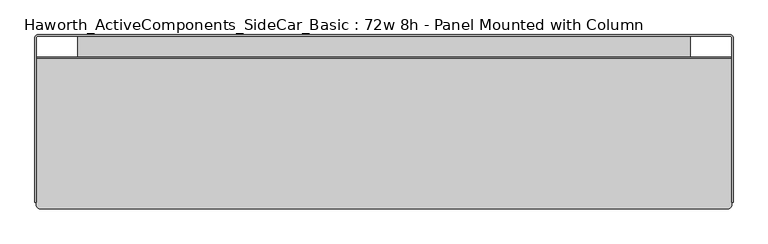
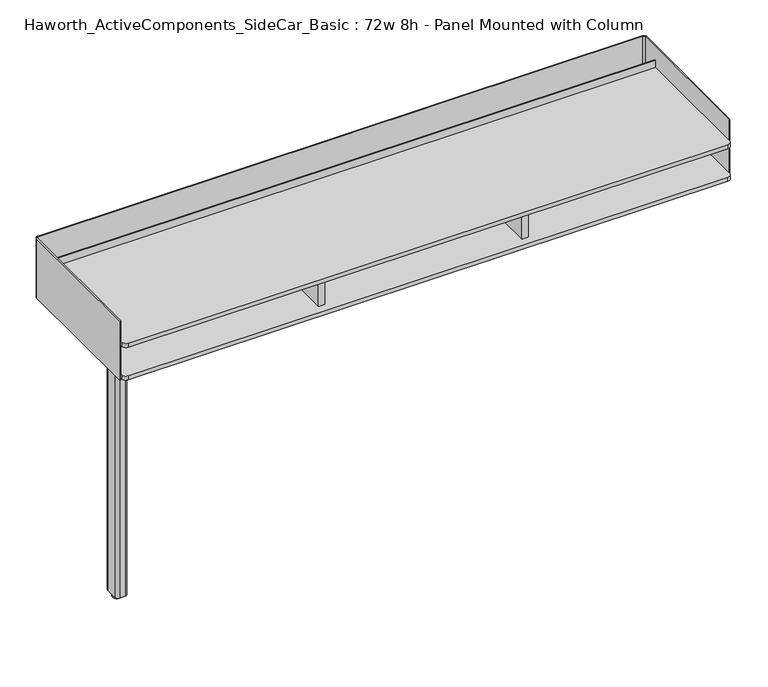
"""IFC4 building model written with IfcOpenShell, lengths in millimetres: furniture geometry, Haworth_ActiveComponents_SideCar_Basic : 72w 8h - Panel Mounted with Column."""

import ifcopenshell
import ifcopenshell.guid

model = None  # the IFC model being written
_history = None  # IfcOwnerHistory: only IFC2X3 demands one
_inside = {}  # id of a spatial element -> (the spatial element, [elements in it])
_under = {}  # id of a project, library or spatial element -> (it, [spatial elements below it])
_declared = {}  # id of a project -> (the project, [libraries it declares])
_typed = {}  # id of a type object -> (the type object, [elements of that type])
_made_of = {}  # id of a material, layer set ... -> (it, [elements and type objects made of it])


def new_model(schema):
    """Start an empty IFC model of exactly this schema.

    Asked for "IFC4X3", IfcOpenShell would pick the latest addendum, in which some entities
    have other attributes; the version numbers below select the first issue.
    IFC2X3 requires an IfcOwnerHistory on every rooted entity: one is made here for all.
    """
    global model, _history
    if schema == "IFC4X3":
        model = ifcopenshell.file(schema_version=(4, 3, 0, 0))
    else:
        model = ifcopenshell.file(schema=schema)
    _inside.clear()
    _under.clear()
    _declared.clear()
    _typed.clear()
    _made_of.clear()
    _history = None
    if model.schema == "IFC2X3":
        org = make("IfcOrganization", Name="unknown")
        user = make(
            "IfcPersonAndOrganization",
            ThePerson=make("IfcPerson", FamilyName="unknown"),
            TheOrganization=org,
        )
        app = make(
            "IfcApplication",
            ApplicationDeveloper=org,
            Version="unknown",
            ApplicationFullName="unknown",
            ApplicationIdentifier="unknown",
        )
        _history = make(
            "IfcOwnerHistory",
            OwningUser=user,
            OwningApplication=app,
            ChangeAction="ADDED",
            CreationDate=0,
        )
    return model


def make(cls, **values):
    """One entity of the class cls with the attributes given. An attribute that is None is left unset."""
    return model.create_entity(
        cls, **{name: value for name, value in values.items() if value is not None}
    )


def rooted(cls, **values):
    """An entity with a GlobalId (a new one), such as an element, a storey or a relation."""
    return make(cls, GlobalId=ifcopenshell.guid.new(), OwnerHistory=_history, **values)


def si_unit(unit_type, name, prefix=None):
    """IfcSIUnit, for example si_unit("LENGTHUNIT", "METRE", prefix="MILLI")."""
    return make("IfcSIUnit", UnitType=unit_type, Prefix=prefix, Name=name)


def assignment(units):
    """IfcUnitAssignment: the units of a project."""
    return None if units is None else make("IfcUnitAssignment", Units=units)


def point(xyz):
    """IfcCartesianPoint."""
    return None if xyz is None else make("IfcCartesianPoint", Coordinates=xyz)


def direction(xyz):
    """IfcDirection."""
    return None if xyz is None else make("IfcDirection", DirectionRatios=xyz)


def frame(location, z_axis=None, x_axis=None):
    """IfcAxis2Placement3D, a coordinate frame: its origin and axes. An axis left out is left unset."""
    return make(
        "IfcAxis2Placement3D",
        Location=point(location),
        Axis=direction(z_axis),
        RefDirection=direction(x_axis),
    )


def frame_2d(location, x_axis=None):
    """IfcAxis2Placement2D, a coordinate frame in the plane: its origin and x axis."""
    return make(
        "IfcAxis2Placement2D", Location=point(location), RefDirection=direction(x_axis)
    )


def origin():
    """The frame at (0, 0, 0) with its axes left unset."""
    return frame((0.0, 0.0, 0.0))


def origin_with_axes():
    """The frame at (0, 0, 0) with the z axis (0, 0, 1) and the x axis (1, 0, 0) written out."""
    return frame((0.0, 0.0, 0.0), z_axis=(0.0, 0.0, 1.0), x_axis=(1.0, 0.0, 0.0))


def place(relative_to, where):
    """IfcLocalPlacement: puts the frame where relative to a parent placement (None: the world)."""
    return make(
        "IfcLocalPlacement", PlacementRelTo=relative_to, RelativePlacement=where
    )


def context(
    kind, dimensions, precision=None, world=None, true_north=None, identifier=None
):
    """IfcGeometricRepresentationContext, for example the 3D "Model" context."""
    return make(
        "IfcGeometricRepresentationContext",
        ContextIdentifier=identifier,
        ContextType=kind,
        CoordinateSpaceDimension=dimensions,
        Precision=precision,
        WorldCoordinateSystem=world,
        TrueNorth=true_north,
    )


def project(units=None, contexts=None):
    """IfcProject with its units and contexts."""
    return rooted(
        "IfcProject",
        Name="project",
        RepresentationContexts=contexts,
        UnitsInContext=assignment(units),
    )


def spatial(cls, under=None, at=None, **own):
    """A site, building, storey or space (cls), placed at a placement, below another one or the project."""
    s = rooted(cls, ObjectPlacement=at, **own)
    if under is not None:
        _under.setdefault(under.id(), (under, []))[1].append(s)
    return s


def polyline(points):
    """IfcPolyline through the points."""
    return make("IfcPolyline", Points=[point(p) for p in points])


def circle_curve(where, radius):
    """IfcCircle in the frame where."""
    return make("IfcCircle", Position=where, Radius=radius)


def trimmed(basis, trim1, trim2, sense, master):
    """IfcTrimmedCurve: the piece of a basis curve between two trims."""
    return make(
        "IfcTrimmedCurve",
        BasisCurve=basis,
        Trim1=trim1,
        Trim2=trim2,
        SenseAgreement=sense,
        MasterRepresentation=master,
    )


def segment(curve, same_sense, transition):
    """IfcCompositeCurveSegment."""
    return make(
        "IfcCompositeCurveSegment",
        Transition=transition,
        SameSense=same_sense,
        ParentCurve=curve,
    )


def composite_curve(segments, self_intersect=None):
    """IfcCompositeCurve: segments joined end to end."""
    return make("IfcCompositeCurve", Segments=segments, SelfIntersect=self_intersect)


def outline(outer, holes=None, kind="AREA"):
    """IfcArbitraryClosedProfileDef: a profile drawn as a closed curve; with holes, ...WithVoids."""
    if holes is None:
        return make("IfcArbitraryClosedProfileDef", ProfileType=kind, OuterCurve=outer)
    return make(
        "IfcArbitraryProfileDefWithVoids",
        ProfileType=kind,
        OuterCurve=outer,
        InnerCurves=holes,
    )


def extrude(swept, where, along, depth):
    """IfcExtrudedAreaSolid: the profile swept, set in the frame where, extruded along a direction by depth."""
    return make(
        "IfcExtrudedAreaSolid",
        SweptArea=swept,
        Position=where,
        ExtrudedDirection=direction(along),
        Depth=depth,
    )


def shape(context_of_items, identifier, shape_type, items):
    """IfcShapeRepresentation: the items that make up one representation, for example the "Body"."""
    return make(
        "IfcShapeRepresentation",
        ContextOfItems=context_of_items,
        RepresentationIdentifier=identifier,
        RepresentationType=shape_type,
        Items=items,
    )


def source(mapping_origin, context_of_items, identifier, shape_type, items):
    """IfcRepresentationMap: a shape defined once, which mapped items show again and again."""
    return make(
        "IfcRepresentationMap",
        MappingOrigin=mapping_origin,
        MappedRepresentation=shape(context_of_items, identifier, shape_type, items),
    )


def transform(
    local_origin,
    x_axis=None,
    y_axis=None,
    z_axis=None,
    scale=None,
    scale2=None,
    scale3=None,
    uniform=True,
):
    """IfcCartesianTransformationOperator3D, or its non-uniform kind. x_axis, y_axis, z_axis: its Axis1, 2, 3."""
    if uniform:
        return make(
            "IfcCartesianTransformationOperator3D",
            Axis1=direction(x_axis),
            Axis2=direction(y_axis),
            LocalOrigin=point(local_origin),
            Scale=scale,
            Axis3=direction(z_axis),
        )
    return make(
        "IfcCartesianTransformationOperator3DnonUniform",
        Axis1=direction(x_axis),
        Axis2=direction(y_axis),
        LocalOrigin=point(local_origin),
        Scale=scale,
        Axis3=direction(z_axis),
        Scale2=scale2,
        Scale3=scale3,
    )


def mapped(mapping_source, mapping_target):
    """IfcMappedItem: shows the shape of a source again, moved by a transform."""
    return make(
        "IfcMappedItem", MappingSource=mapping_source, MappingTarget=mapping_target
    )


def made_of(thing, what):
    """Note that an element or type object is made of a material, layer set ...; save() writes the relation."""
    if what is not None:
        _made_of.setdefault(what.id(), (what, []))[1].append(thing)
    return thing


def element(
    cls,
    number,
    at=None,
    inside=None,
    cuts=None,
    type_object=None,
    material=None,
    context=None,
    identifier="Body",
    shape_type=None,
    held_by="IfcProductDefinitionShape",
    body=None,
    shapes=None,
    **own,
):
    """One element of the class cls, such as IfcWall. Its Tag is "e" and its number.

    at: its placement. inside: the storey or other place that contains it. cuts: it is an
    opening in that element (IfcRelVoidsElement). A single representation is given by context,
    identifier, shape_type and body (its items); several are given by shapes. held_by: the class
    of the entity that holds the representations. save() writes the other relations.
    """
    e = rooted(cls, Tag="e%d" % number, ObjectPlacement=at, **own)
    if body is not None:
        shapes = [shape(context, identifier, shape_type, body)]
    if shapes is not None:
        e.Representation = make(held_by, Representations=shapes)
    if inside is not None:
        _inside.setdefault(inside.id(), (inside, []))[1].append(e)
    if cuts is not None:
        rooted(
            "IfcRelVoidsElement", RelatingBuildingElement=cuts, RelatedOpeningElement=e
        )
    if type_object is not None:
        _typed.setdefault(type_object.id(), (type_object, []))[1].append(e)
    return made_of(e, material)


def aggregate(whole, parts):
    """IfcRelAggregates: a whole, such as a stair, and the parts it consists of."""
    return rooted("IfcRelAggregates", RelatingObject=whole, RelatedObjects=parts)


def save(model, path):
    """Write the relations noted so far, then the file.

    IfcRelAggregates (storeys below a building ...), IfcRelContainedInSpatialStructure (elements
    in a storey), IfcRelDefinesByType, IfcRelAssociatesMaterial and IfcRelDeclares: one each for
    every whole, place, type object, material and project.
    """
    for whole, parts in _under.values():
        aggregate(whole, parts)
    for where, things in _inside.values():
        rooted(
            "IfcRelContainedInSpatialStructure",
            RelatedElements=things,
            RelatingStructure=where,
        )
    for kind, things in _typed.values():
        rooted("IfcRelDefinesByType", RelatedObjects=things, RelatingType=kind)
    for what, things in _made_of.values():
        rooted("IfcRelAssociatesMaterial", RelatedObjects=things, RelatingMaterial=what)
    for by, libraries in _declared.values():
        rooted("IfcRelDeclares", RelatingContext=by, RelatedDefinitions=libraries)
    model.write(path)


def haworth_activecomponents_sidecar_basic_72w_8h_panel_mounted_e1236254(model_context):
    return source(origin(), model_context, "Body", "SweptSolid", [
        extrude(outline(composite_curve([segment(trimmed(circle_curve(frame_2d((-800.1, -260.35)), 13.6023831), [point((-813.7023831, -260.35))], [point((-786.4976169, -260.35))], False, "CARTESIAN"), True, "CONTINUOUS"), segment(trimmed(circle_curve(frame_2d((-800.1, -260.35)), 13.6023831), [point((-786.4976169, -260.35))], [point((-813.7023831, -260.35))], False, "CARTESIAN"), True, "CONTINUOUS")], self_intersect=False)), origin_with_axes(), (0.0, 0.0, 1.0), 12.7),
        extrude(outline(composite_curve([segment(trimmed(circle_curve(frame_2d((-792.1625, -242.09375)), 9.525), [point((-792.1625, -232.56875))], [point((-782.6375, -242.09375))], False, "CARTESIAN"), True, "CONTINUOUS"), segment(polyline([(-782.6375, -242.09375), (-782.6375, -278.60625)]), True, "CONTINUOUS"), segment(trimmed(circle_curve(frame_2d((-792.1625, -278.60625)), 9.525), [point((-782.6375, -278.60625))], [point((-792.1625, -288.13125))], False, "CARTESIAN"), True, "CONTINUOUS"), segment(polyline([(-792.1625, -288.13125), (-808.0375, -288.13125)]), True, "CONTINUOUS"), segment(trimmed(circle_curve(frame_2d((-808.0375, -278.60625)), 9.525), [point((-808.0375, -288.13125))], [point((-817.5625, -278.60625))], False, "CARTESIAN"), True, "CONTINUOUS"), segment(polyline([(-817.5625, -278.60625), (-817.5625, -242.09375)]), True, "CONTINUOUS"), segment(trimmed(circle_curve(frame_2d((-808.0375, -242.09375)), 9.525), [point((-817.5625, -242.09375))], [point((-808.0375, -232.56875))], False, "CARTESIAN"), True, "CONTINUOUS"), segment(polyline([(-808.0375, -232.56875), (-792.1625, -232.56875)]), True, "CONTINUOUS")], self_intersect=False)), frame((0.0, 0.0, 12.7), z_axis=(0.0, 0.0, 1.0), x_axis=(1.0, 0.0, 0.0)), (0.0, 0.0, 1.0), 838.2),
        extrude(outline(composite_curve([segment(polyline([(865.1875, -457.2000121), (-865.1875, -457.2000121)]), True, "CONTINUOUS"), segment(trimmed(circle_curve(frame_2d((-865.1875, -444.5000121)), 12.7), [point((-865.1875, -457.2000121))], [point((-877.8875, -444.5000121))], False, "CARTESIAN"), True, "CONTINUOUS"), segment(polyline([(-877.8875, -444.5000121), (-877.8875, -166.1160172), (-808.83125, -166.1160172)]), True, "CONTINUOUS"), segment(trimmed(circle_curve(frame_2d((-808.83125, -158.9722672)), 7.14375), [point((-808.83125, -166.1160172))], [point((-801.6875, -158.9722672))], True, "CARTESIAN"), True, "CONTINUOUS"), segment(polyline([(-801.6875, -158.9722672), (-801.6875, -35.1790143), (801.6875, -35.1790143), (801.6875, -158.9722672)]), True, "CONTINUOUS"), segment(trimmed(circle_curve(frame_2d((808.83125, -158.9722672)), 7.14375), [point((801.6875, -158.9722672))], [point((808.83125, -166.1160172))], True, "CARTESIAN"), True, "CONTINUOUS"), segment(polyline([(808.83125, -166.1160172), (877.8875, -166.1160172), (877.8875, -444.5000121)]), True, "CONTINUOUS"), segment(trimmed(circle_curve(frame_2d((865.1875, -444.5000121)), 12.7), [point((877.8875, -444.5000121))], [point((865.1875, -457.2000121))], False, "CARTESIAN"), True, "CONTINUOUS")], self_intersect=False)), frame((0.0, 0.0, 850.9), z_axis=(0.0, 0.0, 1.0), x_axis=(1.0, 0.0, 0.0)), (0.0, 0.0, 1.0), 6.3500242),
        extrude(outline(composite_curve([segment(trimmed(circle_curve(frame_2d((-318.1985042, 838.009532)), 1.5875), [point((-319.7860042, 838.009532))], [point((-318.1985042, 836.422032))], True, "CARTESIAN"), True, "CONTINUOUS"), segment(polyline([(-318.1985042, 836.422032), (-276.9234921, 836.422032)]), True, "CONTINUOUS"), segment(trimmed(circle_curve(frame_2d((-276.9234921, 838.009532)), 1.5875), [point((-276.9234921, 836.422032))], [point((-275.3359921, 838.009532))], True, "CARTESIAN"), True, "CONTINUOUS"), segment(polyline([(-275.3359921, 838.009532), (-275.3359921, 847.725)]), True, "CONTINUOUS"), segment(trimmed(circle_curve(frame_2d((-272.1609921, 847.725)), 3.175), [point((-275.3359921, 847.725))], [point((-272.1609921, 850.9))], False, "CARTESIAN"), True, "CONTINUOUS"), segment(polyline([(-272.1609921, 850.9), (-258.0640085, 850.9), (-258.0640085, 849.3760378), (-272.2244935, 849.3760378)]), True, "CONTINUOUS"), segment(trimmed(circle_curve(frame_2d((-272.2244935, 847.7885378)), 1.5875), [point((-272.2244935, 849.3760378))], [point((-273.8119935, 847.7885378))], True, "CARTESIAN"), True, "CONTINUOUS"), segment(polyline([(-273.8119935, 847.7885378), (-273.8119935, 838.0729971)]), True, "CONTINUOUS"), segment(trimmed(circle_curve(frame_2d((-276.9869935, 838.0729971)), 3.175), [point((-273.8119935, 838.0729971))], [point((-276.9869935, 834.8979971))], False, "CARTESIAN"), True, "CONTINUOUS"), segment(polyline([(-276.9869935, 834.8979971), (-318.1350027, 834.8979971)]), True, "CONTINUOUS"), segment(trimmed(circle_curve(frame_2d((-318.1350027, 838.0729971)), 3.175), [point((-318.1350027, 834.8979971))], [point((-321.3100027, 838.0729971))], False, "CARTESIAN"), True, "CONTINUOUS"), segment(polyline([(-321.3100027, 838.0729971), (-321.3100027, 847.7885378)]), True, "CONTINUOUS"), segment(trimmed(circle_curve(frame_2d((-322.8975027, 847.7885378)), 1.5875), [point((-321.3100027, 847.7885378))], [point((-322.8975027, 849.3760378))], True, "CARTESIAN"), True, "CONTINUOUS"), segment(polyline([(-322.8975027, 849.3760378), (-337.0580059, 849.3760378), (-337.0580059, 850.9), (-322.9610042, 850.9)]), True, "CONTINUOUS"), segment(trimmed(circle_curve(frame_2d((-322.9610042, 847.725)), 3.175), [point((-322.9610042, 850.9))], [point((-319.7860042, 847.725))], False, "CARTESIAN"), True, "CONTINUOUS"), segment(polyline([(-319.7860042, 847.725), (-319.7860042, 838.009532)]), True, "CONTINUOUS")], self_intersect=False)), frame((-625.078125, 0.0, 0.0), z_axis=(1.0, 0.0, 0.0), x_axis=(0.0, 1.0, 0.0)), (0.0, 0.0, 1.0), 1224.75625),
        extrude(outline(composite_curve([segment(trimmed(circle_curve(frame_2d((-906.1648437, -39.9851563)), 8.2351562), [point((-914.4, -39.9851563))], [point((-906.1648437, -31.75))], False, "CARTESIAN"), True, "CONTINUOUS"), segment(polyline([(-906.1648437, -31.75), (906.1648438, -31.75)]), True, "CONTINUOUS"), segment(trimmed(circle_curve(frame_2d((906.1648438, -39.9851563)), 8.2351562), [point((906.1648438, -31.75))], [point((914.4, -39.9851563))], False, "CARTESIAN"), True, "CONTINUOUS"), segment(polyline([(914.4, -39.9851563), (914.4, -471.4748312), (911.225, -471.4748312), (911.225, -39.9851563)]), True, "CONTINUOUS"), segment(trimmed(circle_curve(frame_2d((906.1648438, -39.9851563)), 5.0601563), [point((911.225, -39.9851563))], [point((906.1648438, -34.925))], True, "CARTESIAN"), True, "CONTINUOUS"), segment(polyline([(906.1648438, -34.925), (-906.1648437, -34.925)]), True, "CONTINUOUS"), segment(trimmed(circle_curve(frame_2d((-906.1648437, -39.9851563)), 5.0601563), [point((-906.1648437, -34.925))], [point((-911.225, -39.9851563))], True, "CARTESIAN"), True, "CONTINUOUS"), segment(polyline([(-911.225, -39.9851563), (-911.225, -471.4748312), (-914.4, -471.4748312), (-914.4, -39.9851563)]), True, "CONTINUOUS")], self_intersect=False)), frame((0.0, 0.0, 850.9), z_axis=(0.0, 0.0, 1.0), x_axis=(1.0, 0.0, 0.0)), (0.0, 0.0, 1.0), 187.1979971),
        extrude(outline(polyline([(-295.275, -185.0643922), (-295.275, -464.4644306), (-314.325, -464.4644306), (-314.325, -185.0643922), (-295.275, -185.0643922)])), frame((0.0, 0.0, 869.9499758), z_axis=(0.0, 0.0, 1.0), x_axis=(1.0, 0.0, 0.0)), (0.0, 0.0, 1.0), 90.4875),
        extrude(outline(polyline([(295.275, -185.0643922), (314.325, -185.0643922), (314.325, -464.4644306), (295.275, -464.4644306), (295.275, -185.0643922)])), frame((0.0, 0.0, 869.9499758), z_axis=(0.0, 0.0, 1.0), x_axis=(1.0, 0.0, 0.0)), (0.0, 0.0, 1.0), 90.4875),
        extrude(outline(polyline([(909.4390625, -90.4392547), (909.4390625, -92.3366362), (-909.4390625, -92.3366362), (-909.4390625, -90.4392547), (909.4390625, -90.4392547)])), frame((0.0, 0.0, 960.4374758), z_axis=(0.0, 0.0, 1.0), x_axis=(1.0, 0.0, 0.0)), (0.0, 0.0, 1.0), 36.2661488),
        extrude(outline(composite_curve([segment(polyline([(898.525, -488.95), (-898.525, -488.95)]), True, "CONTINUOUS"), segment(trimmed(circle_curve(frame_2d((-898.525, -476.25)), 12.7), [point((-898.525, -488.95))], [point((-911.225, -476.25))], False, "CARTESIAN"), True, "CONTINUOUS"), segment(polyline([(-911.225, -476.25), (-911.225, -166.1160172), (-808.83125, -166.1160172)]), True, "CONTINUOUS"), segment(trimmed(circle_curve(frame_2d((-808.83125, -158.9722672)), 7.14375), [point((-808.83125, -166.1160172))], [point((-801.6875, -158.9722672))], True, "CARTESIAN"), True, "CONTINUOUS"), segment(polyline([(-801.6875, -158.9722672), (-801.6875, -35.1790143), (801.6875, -35.1790143), (801.6875, -158.9722672)]), True, "CONTINUOUS"), segment(trimmed(circle_curve(frame_2d((808.83125, -158.9722672)), 7.14375), [point((801.6875, -158.9722672))], [point((808.83125, -166.1160172))], True, "CARTESIAN"), True, "CONTINUOUS"), segment(polyline([(808.83125, -166.1160172), (911.225, -166.1160172), (911.225, -476.25)]), True, "CONTINUOUS"), segment(trimmed(circle_curve(frame_2d((898.525, -476.25)), 12.7), [point((911.225, -476.25))], [point((898.525, -488.95))], False, "CARTESIAN"), True, "CONTINUOUS")], self_intersect=False)), frame((0.0, 0.0, 857.2500242), z_axis=(0.0, 0.0, 1.0), x_axis=(1.0, 0.0, 0.0)), (0.0, 0.0, 1.0), 12.6999516),
        extrude(outline(composite_curve([segment(polyline([(-911.225, -92.3366362), (911.225, -92.3366362), (911.225, -476.25)]), True, "CONTINUOUS"), segment(trimmed(circle_curve(frame_2d((898.525, -476.25)), 12.7), [point((911.225, -476.25))], [point((898.525, -488.95))], False, "CARTESIAN"), True, "CONTINUOUS"), segment(polyline([(898.525, -488.95), (-898.525, -488.95)]), True, "CONTINUOUS"), segment(trimmed(circle_curve(frame_2d((-898.525, -476.25)), 12.7), [point((-898.525, -488.95))], [point((-911.225, -476.25))], False, "CARTESIAN"), True, "CONTINUOUS"), segment(polyline([(-911.225, -476.25), (-911.225, -92.3366362)]), True, "CONTINUOUS")], self_intersect=False)), frame((0.0, 0.0, 960.4374758), z_axis=(0.0, 0.0, 1.0), x_axis=(1.0, 0.0, 0.0)), (0.0, 0.0, 1.0), 12.7000242),
    ])


if __name__ == "__main__":
    model = new_model("IFC4")
    model_context = context("Model", 3, world=origin())
    ifc_project = project(units=[si_unit("LENGTHUNIT", "METRE", prefix="MILLI")], contexts=[model_context])
    site = spatial("IfcSite", under=ifc_project)
    building = spatial("IfcBuilding", under=site)
    placement = place(None, origin())
    haworth_activecomponents_sidecar_basic_72w_8h_panel_mounted_shape = haworth_activecomponents_sidecar_basic_72w_8h_panel_mounted_e1236254(model_context)
    element("IfcFurniture", 1, ObjectType="Haworth_ActiveComponents_SideCar_Basic : 72w 8h - Panel Mounted with Column", at=placement, inside=building, context=model_context, shape_type="MappedRepresentation", body=[
        mapped(haworth_activecomponents_sidecar_basic_72w_8h_panel_mounted_shape, transform((0.0, 0.0, 0.0), x_axis=(1.0, 0.0, 0.0), y_axis=(0.0, 1.0, 0.0), z_axis=(0.0, 0.0, 1.0))),
    ])
    save(model, "model.ifc")
